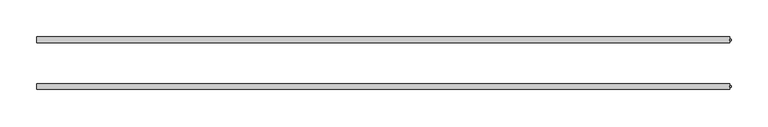
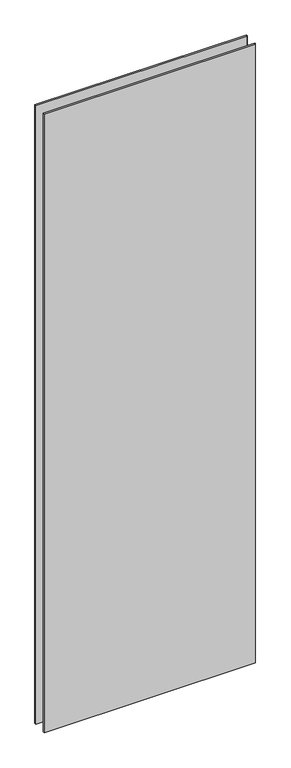
"""IFC4 building model written with IfcOpenShell, lengths in millimetres: plate geometry."""

from ifc_helpers import new_model, si_unit, origin, origin_with_axes, place, context, project, spatial, polyline, outline, extrude, source, transform, mapped, element, save


def plate_bb5b5dae(model_context):
    return source(origin(), model_context, "Body", "SweptSolid", [
        extrude(outline(polyline([(469.0853579, 32.7), (471.0853579, 32.7), (471.0853579, 30.7), (469.0853579, 30.7), (469.0853579, 32.7)])), origin_with_axes(), (0.0, 0.0, 1.0), 2915.0),
        extrude(outline(polyline([(471.0853579, -30.7), (471.0853579, -32.7), (469.0853579, -32.7), (469.0853579, -30.7), (471.0853579, -30.7)])), origin_with_axes(), (0.0, 0.0, 1.0), 2915.0),
        extrude(outline(polyline([(469.0853579, 27.7), (-471.0853579, 27.7), (-471.0853579, 35.7), (469.0853579, 35.7), (469.0853579, 27.7)])), origin_with_axes(), (0.0, 0.0, 1.0), 2915.0),
        extrude(outline(polyline([(-471.0853579, -35.7), (-471.0853579, -27.7), (469.0853579, -27.7), (469.0853579, -35.7), (-471.0853579, -35.7)])), origin_with_axes(), (0.0, 0.0, 1.0), 2915.0),
    ])


if __name__ == "__main__":
    model = new_model("IFC4")
    model_context = context("Model", 3, world=origin())
    ifc_project = project(units=[si_unit("LENGTHUNIT", "METRE", prefix="MILLI")], contexts=[model_context])
    site = spatial("IfcSite", under=ifc_project)
    building = spatial("IfcBuilding", under=site)
    placement = place(None, origin())
    plate_shape = plate_bb5b5dae(model_context)
    element("IfcPlate", 1, at=placement, inside=building, context=model_context, shape_type="MappedRepresentation", body=[
        mapped(plate_shape, transform((0.0, 0.0, 0.0), x_axis=(1.0, 0.0, 0.0), y_axis=(0.0, 1.0, 0.0), z_axis=(0.0, 0.0, 1.0))),
    ])
    save(model, "model.ifc")
